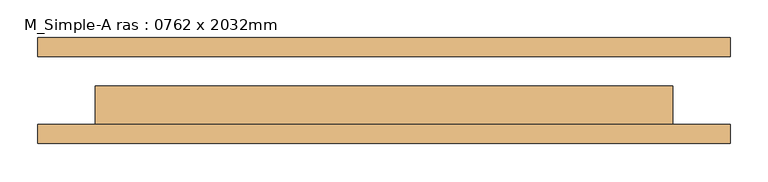
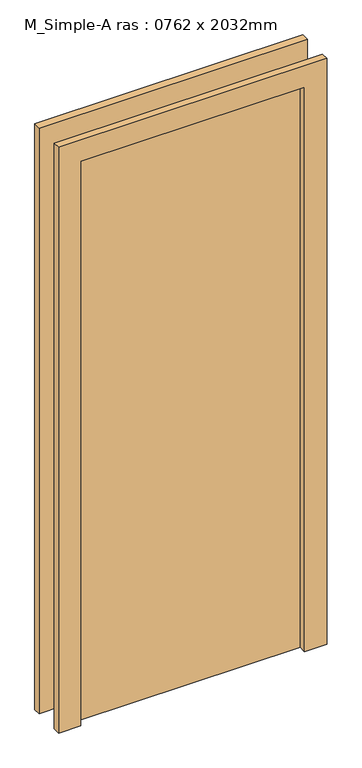
"""IFC4 building model written with IfcOpenShell, lengths in millimetres: door geometry, M_Simple-A ras : 0762 x 2032mm."""

from ifc_helpers import new_model, si_unit, frame, origin, origin_with_axes, place, context, project, spatial, polyline, outline, extrude, source, transform, mapped, element, save


def m_simple_a_ras_0762_x_2032mm_93a5999c(model_context):
    return source(origin(), model_context, "Body", "SweptSolid", [
        extrude(outline(polyline([(2108.0, -457.0), (0.0, -457.0), (0.0, -381.0), (2032.0, -381.0), (2032.0, 381.0), (0.0, 381.0), (0.0, 457.0), (2108.0, 457.0), (2108.0, -457.0)])), frame((0.0, -70.0, 0.0), z_axis=(0.0, 1.0, 0.0), x_axis=(0.0, 0.0, 1.0)), (0.0, 0.0, 1.0), 25.0),
        extrude(outline(polyline([(2108.0, 457.0), (2108.0, -457.0), (0.0, -457.0), (0.0, -381.0), (2032.0, -381.0), (2032.0, 381.0), (0.0, 381.0), (0.0, 457.0), (2108.0, 457.0)])), frame((0.0, 45.0, 0.0), z_axis=(0.0, 1.0, 0.0), x_axis=(0.0, 0.0, 1.0)), (0.0, 0.0, 1.0), 25.0),
        extrude(outline(polyline([(381.0, 6.0), (381.0, -45.0), (-381.0, -45.0), (-381.0, 6.0), (381.0, 6.0)])), origin_with_axes(), (0.0, 0.0, 1.0), 2032.0),
    ])


if __name__ == "__main__":
    model = new_model("IFC4")
    model_context = context("Model", 3, world=origin())
    ifc_project = project(units=[si_unit("LENGTHUNIT", "METRE", prefix="MILLI")], contexts=[model_context])
    site = spatial("IfcSite", under=ifc_project)
    building = spatial("IfcBuilding", under=site)
    placement = place(None, origin())
    m_simple_a_ras_0762_x_2032mm_shape = m_simple_a_ras_0762_x_2032mm_93a5999c(model_context)
    element("IfcDoor", 1, ObjectType="M_Simple-A ras : 0762 x 2032mm", at=placement, inside=building, context=model_context, shape_type="MappedRepresentation", body=[
        mapped(m_simple_a_ras_0762_x_2032mm_shape, transform((0.0, 0.0, 0.0), x_axis=(1.0, 0.0, 0.0), y_axis=(0.0, 1.0, 0.0), z_axis=(0.0, 0.0, 1.0))),
    ])
    save(model, "model.ifc")
